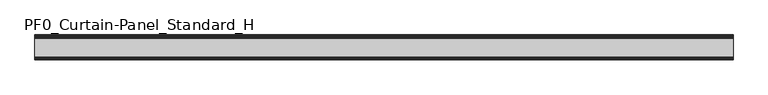
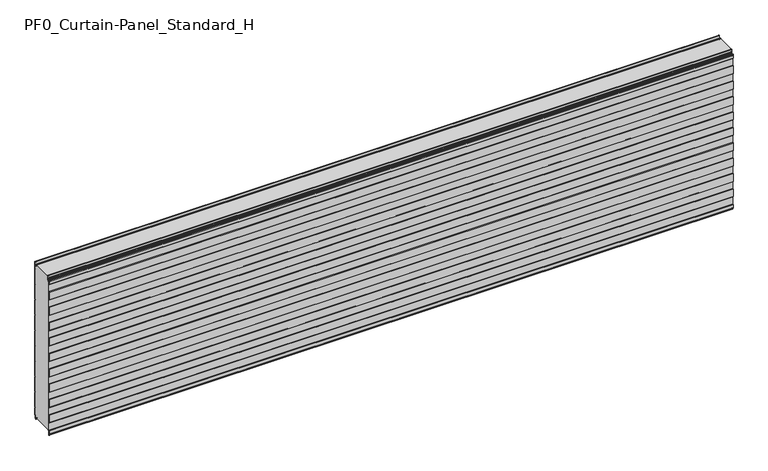
"""IFC4 building model written with IfcOpenShell, lengths in millimetres: plate geometry, PF0_Curtain-Panel_Standard_H."""

from ifc_helpers import new_model, si_unit, point, frame, frame_2d, origin, place, context, project, spatial, polyline, circle_curve, trimmed, segment, composite_curve, outline, extrude, source, transform, mapped, element, save


def pf0_curtain_panel_standard_h_732a9298(model_context):
    return source(origin(), model_context, "Body", "SweptSolid", [
        extrude(outline(composite_curve([segment(polyline([(-140.0, 0.0), (-143.5, 0.0)]), True, "CONTINUOUS"), segment(trimmed(circle_curve(frame_2d((-143.5, -2.0)), 2.0), [point((-143.5, 0.0))], [point((-145.5, -2.0))], True, "CARTESIAN"), True, "CONTINUOUS"), segment(polyline([(-145.5, -2.0), (-145.5, -33.0)]), True, "CONTINUOUS"), segment(trimmed(circle_curve(frame_2d((-146.5, -33.0)), 1.0), [point((-145.5, -33.0))], [point((-147.5, -33.0))], False, "CARTESIAN"), True, "CONTINUOUS"), segment(polyline([(-147.5, -33.0), (-147.5, -26.9)]), True, "CONTINUOUS"), segment(trimmed(circle_curve(frame_2d((-148.4, -26.9)), 0.9), [point((-147.5, -26.9))], [point((-148.4, -26.0))], True, "CARTESIAN"), True, "CONTINUOUS"), segment(trimmed(circle_curve(frame_2d((-148.4, -24.4)), 1.6), [point((-148.4, -26.0))], [point((-150.0, -24.4))], False, "CARTESIAN"), True, "CONTINUOUS"), segment(polyline([(-150.0, -24.4), (-150.0, -0.9952559), (-148.5, 1.6028217), (-148.5, 46.4028193), (-150.0, 49.0008969), (-150.0, 99.0047441), (-148.5, 101.6028217), (-148.5, 146.4028193), (-150.0, 149.0008969), (-150.0, 199.0047441), (-148.5, 201.6028217), (-148.5, 246.4028193), (-150.0, 249.0008969), (-150.0, 299.0047441), (-148.5, 301.6028217), (-148.5, 346.4028193), (-150.0, 349.0008969), (-150.0, 399.0047441), (-148.5, 401.6028217), (-148.5, 446.4028193), (-150.0, 449.0008969), (-150.0, 499.0047441), (-148.5, 501.6028217), (-148.5, 546.4028193), (-150.0, 549.0008969), (-150.0, 599.0047441), (-148.5, 601.6028217), (-148.5, 646.4028193), (-150.0, 649.0008969), (-150.0, 699.0047441), (-148.5, 701.6028217), (-148.5, 746.4028193), (-150.0, 749.0008969), (-150.0, 799.0047441), (-148.5, 801.6028217), (-148.5, 846.4028193), (-150.0, 849.0008969), (-150.0, 899.0047441), (-148.5, 901.6028217), (-148.5, 946.4028193), (-150.0, 949.0008969), (-150.0, 972.168846)]), True, "CONTINUOUS"), segment(trimmed(circle_curve(frame_2d((-149.0, 972.168846)), 1.0), [point((-150.0, 972.168846))], [point((-148.0, 972.168846))], False, "CARTESIAN"), True, "CONTINUOUS"), segment(polyline([(-148.0, 972.168846), (-148.0, 966.168846)]), True, "CONTINUOUS"), segment(trimmed(circle_curve(frame_2d((-146.5, 966.168846)), 1.5), [point((-148.0, 966.168846))], [point((-145.0, 966.168846))], True, "CARTESIAN"), True, "CONTINUOUS"), segment(polyline([(-145.0, 966.168846), (-145.0, 966.9964664)]), True, "CONTINUOUS"), segment(trimmed(circle_curve(frame_2d((-138.8276204, 966.9964664)), 6.1723796), [point((-145.0, 966.9964664))], [point((-138.8276204, 973.168846))], False, "CARTESIAN"), True, "CONTINUOUS"), segment(polyline([(-138.8276204, 973.168846), (-138.0, 973.168846)]), True, "CONTINUOUS"), segment(trimmed(circle_curve(frame_2d((-138.0, 974.168846)), 1.0), [point((-138.0, 973.168846))], [point((-137.0, 974.168846))], True, "CARTESIAN"), True, "CONTINUOUS"), segment(polyline([(-137.0, 974.168846), (-137.0, 980.6688472), (-135.4999999, 982.168846), (-137.0, 983.6688448), (-137.0, 995.568846)]), True, "CONTINUOUS"), segment(trimmed(circle_curve(frame_2d((-134.4, 995.568846)), 2.6), [point((-137.0, 995.568846))], [point((-134.4, 998.168846))], False, "CARTESIAN"), True, "CONTINUOUS"), segment(polyline([(-134.4, 998.168846), (-133.0, 998.168846), (-133.0, 997.368846), (-134.4, 997.368846)]), True, "CONTINUOUS"), segment(trimmed(circle_curve(frame_2d((-134.4, 995.568846)), 1.8), [point((-134.4, 997.368846))], [point((-136.2, 995.568846))], True, "CARTESIAN"), True, "CONTINUOUS"), segment(polyline([(-136.2, 995.568846), (-136.2, 984.0002158), (-134.3686285, 982.168846), (-136.2, 980.3374762), (-136.2, 974.168846)]), True, "CONTINUOUS"), segment(trimmed(circle_curve(frame_2d((-138.0, 974.168846)), 1.8), [point((-136.2, 974.168846))], [point((-138.0, 972.368846))], False, "CARTESIAN"), True, "CONTINUOUS"), segment(polyline([(-138.0, 972.368846), (-138.8276204, 972.368846)]), True, "CONTINUOUS"), segment(trimmed(circle_curve(frame_2d((-138.8276204, 966.9964664)), 5.3723796), [point((-138.8276204, 972.368846))], [point((-144.2, 966.9964664))], True, "CARTESIAN"), True, "CONTINUOUS"), segment(polyline([(-144.2, 966.9964664), (-144.2, 966.168846)]), True, "CONTINUOUS"), segment(trimmed(circle_curve(frame_2d((-146.4, 966.168846)), 2.2), [point((-144.2, 966.168846))], [point((-148.6, 966.168846))], False, "CARTESIAN"), True, "CONTINUOUS"), segment(polyline([(-148.6, 966.168846), (-148.6, 972.0579973)]), True, "CONTINUOUS"), segment(trimmed(circle_curve(frame_2d((-148.9, 972.0579973)), 0.3), [point((-148.6, 972.0579973))], [point((-149.2, 972.0579973))], True, "CARTESIAN"), True, "CONTINUOUS"), segment(polyline([(-149.2, 972.0579973), (-149.2, 949.2152562), (-147.7, 946.6171786), (-147.7, 901.3884624), (-149.2, 898.7903848), (-149.2, 849.2152562), (-147.7, 846.6171786), (-147.7, 801.3884624), (-149.2, 798.7903848), (-149.2, 749.2152562), (-147.7, 746.6171786), (-147.7, 701.3884624), (-149.2, 698.7903848), (-149.2, 649.2152562), (-147.7, 646.6171786), (-147.7, 601.3884624), (-149.2, 598.7903848), (-149.2, 549.2152562), (-147.7, 546.6171786), (-147.7, 501.3884624), (-149.2, 498.7903848), (-149.2, 449.2152562), (-147.7, 446.6171786), (-147.7, 401.3884624), (-149.2, 398.7903848), (-149.2, 349.2152562), (-147.7, 346.6171786), (-147.7, 301.3884624), (-149.2, 298.7903848), (-149.2, 249.2152562), (-147.7, 246.6171786), (-147.7, 201.3884624), (-149.2, 198.7903848), (-149.2, 149.2152562), (-147.7, 146.6171786), (-147.7, 101.3884624), (-149.2, 98.7903848), (-149.2, 49.2152562), (-147.7, 46.6171786), (-147.7, 1.3884624), (-149.2, -1.2096152), (-149.2, -24.4)]), True, "CONTINUOUS"), segment(trimmed(circle_curve(frame_2d((-148.4, -24.4)), 0.8), [point((-149.2, -24.4))], [point((-148.4, -25.2))], True, "CARTESIAN"), True, "CONTINUOUS"), segment(trimmed(circle_curve(frame_2d((-148.6133333, -26.9)), 1.7133333), [point((-148.4, -25.2))], [point((-146.9, -26.9))], False, "CARTESIAN"), True, "CONTINUOUS"), segment(polyline([(-146.9, -26.9), (-146.9, -32.8700312)]), True, "CONTINUOUS"), segment(trimmed(circle_curve(frame_2d((-146.6, -32.8700312)), 0.3), [point((-146.9, -32.8700312))], [point((-146.3, -32.8700312))], True, "CARTESIAN"), True, "CONTINUOUS"), segment(polyline([(-146.3, -32.8700312), (-146.3, -2.0)]), True, "CONTINUOUS"), segment(trimmed(circle_curve(frame_2d((-143.5, -2.0)), 2.8), [point((-146.3, -2.0))], [point((-143.5, 0.8))], False, "CARTESIAN"), True, "CONTINUOUS"), segment(polyline([(-143.5, 0.8), (-140.0, 0.8), (-140.0, 0.0)]), True, "CONTINUOUS")], self_intersect=False)), frame((-2100.0, 0.0, 0.0), z_axis=(1.0, 0.0, 0.0), x_axis=(0.0, 1.0, 0.0)), (0.0, 0.0, 1.0), 4200.0),
        extrude(outline(composite_curve([segment(polyline([(-15.878557, 0.0), (-20.0, 0.0), (-20.0, 0.8), (-15.878557, 0.8)]), True, "CONTINUOUS"), segment(trimmed(circle_curve(frame_2d((-15.878557, -2.0)), 2.8), [point((-15.878557, 0.8))], [point((-13.1503208, -1.370137))], False, "CARTESIAN"), True, "CONTINUOUS"), segment(polyline([(-13.1503208, -1.370137), (-11.728236, -7.529863)]), True, "CONTINUOUS"), segment(trimmed(circle_curve(frame_2d((-9.0, -6.9)), 2.8), [point((-11.728236, -7.529863))], [point((-6.2, -6.9))], True, "CARTESIAN"), True, "CONTINUOUS"), segment(polyline([(-6.2, -6.9), (-6.2, 8.6)]), True, "CONTINUOUS"), segment(trimmed(circle_curve(frame_2d((-3.4, 8.6)), 2.8), [point((-6.2, 8.6))], [point((-3.4, 11.4))], False, "CARTESIAN"), True, "CONTINUOUS"), segment(polyline([(-3.4, 11.4), (-2.0, 11.4)]), True, "CONTINUOUS"), segment(trimmed(circle_curve(frame_2d((-2.0, 12.6)), 1.2), [point((-2.0, 11.4))], [point((-0.8, 12.6))], True, "CARTESIAN"), True, "CONTINUOUS"), segment(polyline([(-0.8, 12.6), (-0.8, 57.6856412), (-2.482606, 60.6), (-0.8, 63.5143588), (-0.8, 157.6856412), (-2.482606, 160.6), (-0.8, 163.5143588), (-0.8, 257.6856412), (-2.482606, 260.6), (-0.8, 263.5143588), (-0.8, 357.6856412), (-2.482606, 360.6), (-0.8, 363.5143588), (-0.8, 457.6856412), (-2.482606, 460.6), (-0.8, 463.5143588), (-0.8, 557.6856412), (-2.482606, 560.6), (-0.8, 563.5143588), (-0.8, 657.6856412), (-2.482606, 660.6), (-0.8, 663.5143588), (-0.8, 757.6856412), (-2.482606, 760.6), (-0.8, 763.5143588), (-0.8, 857.6856412), (-2.482606, 860.6), (-0.8, 863.5143588), (-0.8, 957.6856412), (-2.482606, 960.6), (-0.8, 963.5143588), (-0.8, 1007.268846)]), True, "CONTINUOUS"), segment(trimmed(circle_curve(frame_2d((-2.5, 1007.268846)), 1.7), [point((-0.8, 1007.268846))], [point((-4.2, 1007.268846))], True, "CARTESIAN"), True, "CONTINUOUS"), segment(polyline([(-4.2, 1007.268846), (-4.2, 990.268846)]), True, "CONTINUOUS"), segment(trimmed(circle_curve(frame_2d((-9.0, 990.268846)), 4.8), [point((-4.2, 990.268846))], [point((-13.7270771, 989.4353344))], False, "CARTESIAN"), True, "CONTINUOUS"), segment(polyline([(-13.7270771, 989.4353344), (-14.8636953, 995.8814129)]), True, "CONTINUOUS"), segment(trimmed(circle_curve(frame_2d((-16.6363492, 995.568846)), 1.8), [point((-14.8636953, 995.8814129))], [point((-16.6363492, 997.368846))], True, "CARTESIAN"), True, "CONTINUOUS"), segment(polyline([(-16.6363492, 997.368846), (-20.0, 997.368846), (-20.0, 998.168846), (-16.6363492, 998.168846)]), True, "CONTINUOUS"), segment(trimmed(circle_curve(frame_2d((-16.6363492, 995.568846)), 2.6), [point((-16.6363492, 998.168846))], [point((-14.0758491, 996.0203315))], False, "CARTESIAN"), True, "CONTINUOUS"), segment(polyline([(-14.0758491, 996.0203315), (-12.939231, 989.574253)]), True, "CONTINUOUS"), segment(trimmed(circle_curve(frame_2d((-9.0, 990.268846)), 4.0), [point((-12.939231, 989.574253))], [point((-5.0, 990.268846))], True, "CARTESIAN"), True, "CONTINUOUS"), segment(polyline([(-5.0, 990.268846), (-5.0, 1007.268846)]), True, "CONTINUOUS"), segment(trimmed(circle_curve(frame_2d((-2.5, 1007.268846)), 2.5), [point((-5.0, 1007.268846))], [point((0.0, 1007.268846))], False, "CARTESIAN"), True, "CONTINUOUS"), segment(polyline([(0.0, 1007.268846), (0.0, 963.2999995), (-1.5588455, 960.6), (0.0, 957.9000005), (0.0, 863.2999995), (-1.5588455, 860.6), (0.0, 857.9000005), (0.0, 763.2999995), (-1.5588455, 760.6), (0.0, 757.9000005), (0.0, 663.2999995), (-1.5588455, 660.6), (0.0, 657.9000005), (0.0, 563.2999995), (-1.5588455, 560.6), (0.0, 557.9000005), (0.0, 463.2999995), (-1.5588455, 460.6), (0.0, 457.9000005), (0.0, 363.2999995), (-1.5588455, 360.6), (0.0, 357.9000005), (0.0, 263.2999995), (-1.5588455, 260.6), (0.0, 257.9000005), (0.0, 163.2999995), (-1.5588455, 160.6), (0.0, 157.9000005), (0.0, 63.2999995), (-1.5588455, 60.6), (0.0, 57.9000005), (0.0, 12.6)]), True, "CONTINUOUS"), segment(trimmed(circle_curve(frame_2d((-2.0, 12.6)), 2.0), [point((0.0, 12.6))], [point((-2.0, 10.6))], False, "CARTESIAN"), True, "CONTINUOUS"), segment(polyline([(-2.0, 10.6), (-3.4, 10.6)]), True, "CONTINUOUS"), segment(trimmed(circle_curve(frame_2d((-3.4, 8.6)), 2.0), [point((-3.4, 10.6))], [point((-5.4, 8.6))], True, "CARTESIAN"), True, "CONTINUOUS"), segment(polyline([(-5.4, 8.6), (-5.4, -6.9)]), True, "CONTINUOUS"), segment(trimmed(circle_curve(frame_2d((-9.0, -6.9)), 3.6), [point((-5.4, -6.9))], [point((-12.5077322, -7.7098239))], False, "CARTESIAN"), True, "CONTINUOUS"), segment(polyline([(-12.5077322, -7.7098239), (-13.929817, -1.5500979)]), True, "CONTINUOUS"), segment(trimmed(circle_curve(frame_2d((-15.878557, -2.0)), 2.0), [point((-13.929817, -1.5500979))], [point((-15.878557, 0.0))], True, "CARTESIAN"), True, "CONTINUOUS")], self_intersect=False)), frame((-2100.0, 0.0, 0.0), z_axis=(1.0, 0.0, 0.0), x_axis=(0.0, 1.0, 0.0)), (0.0, 0.0, 1.0), 4200.0),
        extrude(outline(composite_curve([segment(polyline([(-140.0, 0.8), (-143.5, 0.8)]), True, "CONTINUOUS"), segment(trimmed(circle_curve(frame_2d((-143.5, -2.0)), 2.8), [point((-143.5, 0.8))], [point((-146.3, -2.0))], True, "CARTESIAN"), True, "CONTINUOUS"), segment(polyline([(-146.3, -2.0), (-146.3, -32.8700312)]), True, "CONTINUOUS"), segment(trimmed(circle_curve(frame_2d((-146.6, -32.8700312)), 0.3), [point((-146.3, -32.8700312))], [point((-146.9, -32.8700312))], False, "CARTESIAN"), True, "CONTINUOUS"), segment(polyline([(-146.9, -32.8700312), (-146.9, -26.9)]), True, "CONTINUOUS"), segment(trimmed(circle_curve(frame_2d((-148.6133333, -26.9)), 1.7133333), [point((-146.9, -26.9))], [point((-148.4, -25.2))], True, "CARTESIAN"), True, "CONTINUOUS"), segment(trimmed(circle_curve(frame_2d((-148.4, -24.4)), 0.8), [point((-148.4, -25.2))], [point((-149.2, -24.4))], False, "CARTESIAN"), True, "CONTINUOUS"), segment(polyline([(-149.2, -24.4), (-149.2, -1.2096152), (-147.7, 1.3884624), (-147.7, 46.6171786), (-149.2, 49.2152562), (-149.2, 98.7903848), (-147.7, 101.3884624), (-147.7, 146.6171786), (-149.2, 149.2152562), (-149.2, 198.7903848), (-147.7, 201.3884624), (-147.7, 246.6171786), (-149.2, 249.2152562), (-149.2, 298.7903848), (-147.7, 301.3884624), (-147.7, 346.6171786), (-149.2, 349.2152562), (-149.2, 398.7903848), (-147.7, 401.3884624), (-147.7, 446.6171786), (-149.2, 449.2152562), (-149.2, 498.7903848), (-147.7, 501.3884624), (-147.7, 546.6171786), (-149.2, 549.2152562), (-149.2, 598.7903848), (-147.7, 601.3884624), (-147.7, 646.6171786), (-149.2, 649.2152562), (-149.2, 698.7903848), (-147.7, 701.3884624), (-147.7, 746.6171786), (-149.2, 749.2152562), (-149.2, 798.7903848), (-147.7, 801.3884624), (-147.7, 846.6171786), (-149.2, 849.2152562), (-149.2, 898.7903848), (-147.7, 901.3884624), (-147.7, 946.6171786), (-149.2, 949.2152562), (-149.2, 972.0579973)]), True, "CONTINUOUS"), segment(trimmed(circle_curve(frame_2d((-148.9, 972.0579973)), 0.3), [point((-149.2, 972.0579973))], [point((-148.6, 972.0579973))], False, "CARTESIAN"), True, "CONTINUOUS"), segment(polyline([(-148.6, 972.0579973), (-148.6, 966.168846)]), True, "CONTINUOUS"), segment(trimmed(circle_curve(frame_2d((-146.4, 966.168846)), 2.2), [point((-148.6, 966.168846))], [point((-144.2, 966.168846))], True, "CARTESIAN"), True, "CONTINUOUS"), segment(polyline([(-144.2, 966.168846), (-144.2, 966.9964664)]), True, "CONTINUOUS"), segment(trimmed(circle_curve(frame_2d((-138.8276204, 966.9964664)), 5.3723796), [point((-144.2, 966.9964664))], [point((-138.8276204, 972.368846))], False, "CARTESIAN"), True, "CONTINUOUS"), segment(polyline([(-138.8276204, 972.368846), (-138.0, 972.368846)]), True, "CONTINUOUS"), segment(trimmed(circle_curve(frame_2d((-138.0, 974.168846)), 1.8), [point((-138.0, 972.368846))], [point((-136.2, 974.168846))], True, "CARTESIAN"), True, "CONTINUOUS"), segment(polyline([(-136.2, 974.168846), (-136.2, 980.3374762), (-134.3686285, 982.168846), (-136.2, 984.0002158), (-136.2, 995.568846)]), True, "CONTINUOUS"), segment(trimmed(circle_curve(frame_2d((-134.4, 995.568846)), 1.8), [point((-136.2, 995.568846))], [point((-134.4, 997.368846))], False, "CARTESIAN"), True, "CONTINUOUS"), segment(polyline([(-134.4, 997.368846), (-133.0, 997.368846), (-133.0, 998.168846), (-20.0, 998.168846), (-20.0, 997.368846), (-16.6363492, 997.368846)]), True, "CONTINUOUS"), segment(trimmed(circle_curve(frame_2d((-16.6363492, 995.568846)), 1.8), [point((-16.6363492, 997.368846))], [point((-14.8636953, 995.8814129))], False, "CARTESIAN"), True, "CONTINUOUS"), segment(polyline([(-14.8636953, 995.8814129), (-13.7270772, 989.4353344)]), True, "CONTINUOUS"), segment(trimmed(circle_curve(frame_2d((-9.0, 990.268846)), 4.8), [point((-13.7270772, 989.4353344))], [point((-4.2, 990.268846))], True, "CARTESIAN"), True, "CONTINUOUS"), segment(polyline([(-4.2, 990.268846), (-4.2, 1007.268846)]), True, "CONTINUOUS"), segment(trimmed(circle_curve(frame_2d((-2.5, 1007.268846)), 1.7), [point((-4.2, 1007.268846))], [point((-0.8, 1007.268846))], False, "CARTESIAN"), True, "CONTINUOUS"), segment(polyline([(-0.8, 1007.268846), (-0.8, 963.5143588), (-2.482606, 960.6), (-0.8, 957.6856412), (-0.8, 863.5143588), (-2.482606, 860.6), (-0.8, 857.6856412), (-0.8, 763.5143588), (-2.482606, 760.6), (-0.8, 757.6856412), (-0.8, 663.5143588), (-2.482606, 660.6), (-0.8, 657.6856412), (-0.8, 563.5143588), (-2.482606, 560.6), (-0.8, 557.6856412), (-0.8, 463.5143588), (-2.482606, 460.6), (-0.8, 457.6856412), (-0.8, 363.5143588), (-2.482606, 360.6), (-0.8, 357.6856412), (-0.8, 263.5143588), (-2.482606, 260.6), (-0.8, 257.6856412), (-0.8, 163.5143588), (-2.482606, 160.6), (-0.8, 157.6856412), (-0.8, 63.5143588), (-2.482606, 60.6), (-0.8, 57.6856412), (-0.8, 12.6)]), True, "CONTINUOUS"), segment(trimmed(circle_curve(frame_2d((-2.0, 12.6)), 1.2), [point((-0.8, 12.6))], [point((-2.0, 11.4))], False, "CARTESIAN"), True, "CONTINUOUS"), segment(polyline([(-2.0, 11.4), (-3.4, 11.4)]), True, "CONTINUOUS"), segment(trimmed(circle_curve(frame_2d((-3.4, 8.6)), 2.8), [point((-3.4, 11.4))], [point((-6.2, 8.6))], True, "CARTESIAN"), True, "CONTINUOUS"), segment(polyline([(-6.2, 8.6), (-6.2, -6.9)]), True, "CONTINUOUS"), segment(trimmed(circle_curve(frame_2d((-9.0, -6.9)), 2.8), [point((-6.2, -6.9))], [point((-11.7282362, -7.529863))], False, "CARTESIAN"), True, "CONTINUOUS"), segment(polyline([(-11.7282362, -7.529863), (-13.1503208, -1.370137)]), True, "CONTINUOUS"), segment(trimmed(circle_curve(frame_2d((-15.878557, -2.0)), 2.8), [point((-13.1503208, -1.370137))], [point((-15.878557, 0.8))], True, "CARTESIAN"), True, "CONTINUOUS"), segment(polyline([(-15.878557, 0.8), (-20.0, 0.8), (-20.0, 0.0), (-140.0, 0.0), (-140.0, 0.8)]), True, "CONTINUOUS")], self_intersect=False)), frame((-2100.0, 0.0, 0.0), z_axis=(1.0, 0.0, 0.0), x_axis=(0.0, 1.0, 0.0)), (0.0, 0.0, 1.0), 4200.0),
    ])


if __name__ == "__main__":
    model = new_model("IFC4")
    model_context = context("Model", 3, world=origin())
    ifc_project = project(units=[si_unit("LENGTHUNIT", "METRE", prefix="MILLI")], contexts=[model_context])
    site = spatial("IfcSite", under=ifc_project)
    building = spatial("IfcBuilding", under=site)
    placement = place(None, origin())
    pf0_curtain_panel_standard_h_shape = pf0_curtain_panel_standard_h_732a9298(model_context)
    element("IfcPlate", 1, ObjectType="PF0_Curtain-Panel_Standard_H", at=placement, inside=building, context=model_context, shape_type="MappedRepresentation", body=[
        mapped(pf0_curtain_panel_standard_h_shape, transform((0.0, 0.0, 0.0), x_axis=(1.0, 0.0, 0.0), y_axis=(0.0, 1.0, 0.0), z_axis=(0.0, 0.0, 1.0))),
    ])
    save(model, "model.ifc")
